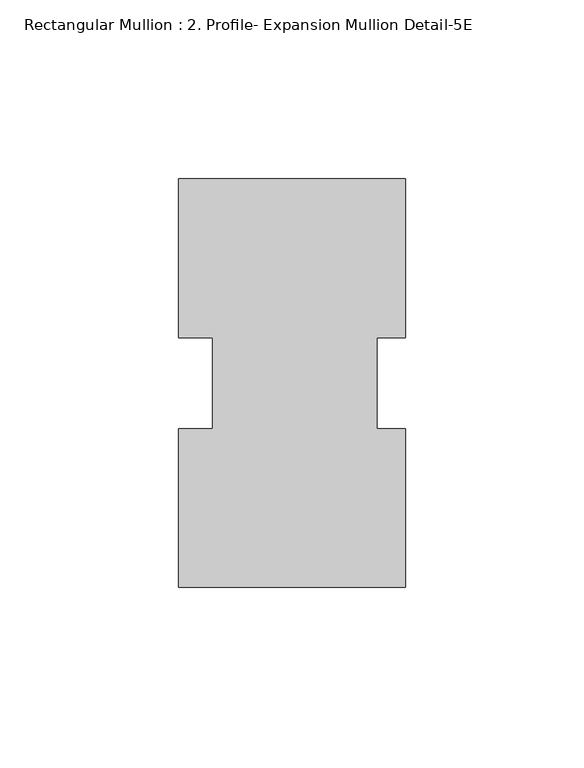
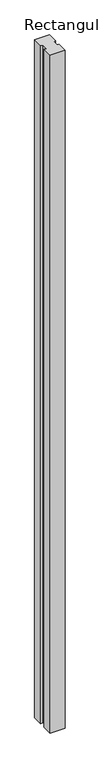
"""IFC4 building model written with IfcOpenShell, lengths in millimetres: member geometry, Rectangular Mullion : 2. Profile- Expansion Mullion Detail-5E."""

from ifc_helpers import new_model, si_unit, frame, origin, place, context, project, spatial, polyline, outline, extrude, source, transform, mapped, element, save


def rectangular_mullion_2_profile_expansion_mullion_detail_5e_6b6d6f76(model_context):
    return source(origin(), model_context, "Body", "SweptSolid", [
        extrude(outline(polyline([(23.4462973, -57.1131925), (-40.0537027, -57.1131925), (-40.0537027, -12.7438492), (-30.5287027, -12.7438492), (-30.5287027, 12.7438492), (-40.0537027, 12.7438492), (-40.0537027, 57.1868075), (23.4462973, 57.1868075), (23.4462973, 12.7438492), (15.5087973, 12.7438492), (15.5087973, -12.7438492), (23.4462973, -12.7438492), (23.4462973, -57.1131925)])), frame((0.0, 0.0, -3048.0), z_axis=(0.0, 0.0, 1.0), x_axis=(1.0, 0.0, 0.0)), (0.0, 0.0, 1.0), 3048.0),
    ])


if __name__ == "__main__":
    model = new_model("IFC4")
    model_context = context("Model", 3, world=origin())
    ifc_project = project(units=[si_unit("LENGTHUNIT", "METRE", prefix="MILLI")], contexts=[model_context])
    site = spatial("IfcSite", under=ifc_project)
    building = spatial("IfcBuilding", under=site)
    placement = place(None, origin())
    rectangular_mullion_2_profile_expansion_mullion_detail_5e_shape = rectangular_mullion_2_profile_expansion_mullion_detail_5e_6b6d6f76(model_context)
    element("IfcMember", 1, ObjectType="Rectangular Mullion : 2. Profile- Expansion Mullion Detail-5E", at=placement, inside=building, context=model_context, shape_type="MappedRepresentation", body=[
        mapped(rectangular_mullion_2_profile_expansion_mullion_detail_5e_shape, transform((0.0, 0.0, 0.0), x_axis=(1.0, 0.0, 0.0), y_axis=(0.0, 1.0, 0.0), z_axis=(0.0, 0.0, 1.0))),
    ])
    save(model, "model.ifc")
